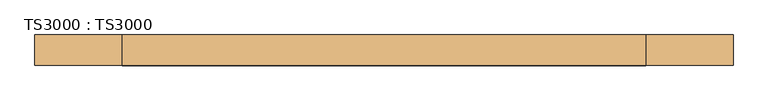
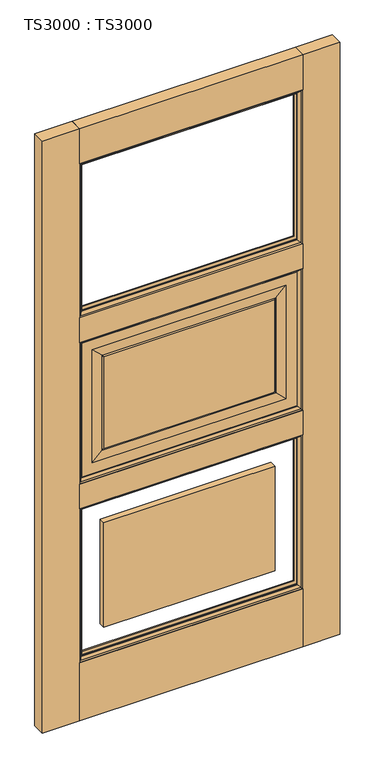
"""IFC4 building model written with IfcOpenShell, lengths in millimetres: door geometry, TS3000 : TS3000."""

from ifc_helpers import new_model, si_unit, frame, origin, origin_with_axes, place, context, project, spatial, polyline, ellipse_curve, outline, extrude, source, transform, mapped, element, save
from ifc_brep_helpers import plane_surface, revolved_surface, advanced_brep


def ts3000_ts3000_38d59591(model_context):
    return source(origin(), model_context, "Body", "SolidModel", [
        advanced_brep(
        [(889.0, -12.7, 1363.1333333), (889.0, -31.75, 1363.1333333), (889.0, -31.75, 853.0166667), (889.0, -12.7, 853.0166667), (127.0, -31.75, 1363.1333333), (127.0, -31.75, 853.0166667), (838.2, -31.75, 903.8166667), (177.8, -31.75, 903.8166667), (177.8, -31.75, 1312.3333333), (838.2, -31.75, 1312.3333333), (127.0, -12.7, 853.0166667), (127.0, -12.7, 1363.1333333), (838.2, -12.7, 1312.3333333), (177.8, -12.7, 1312.3333333), (177.8, -12.7, 903.8166667), (838.2, -12.7, 903.8166667), (800.1, -33.3375, 1274.2333333), (800.1, -11.1125, 1274.2333333), (800.1, -11.1125, 941.9166667), (800.1, -33.3375, 941.9166667), (804.8625, -13.49375, 1278.9958333), (804.8625, -13.49375, 937.1541667), (215.9, -11.1125, 941.9166667), (215.9, -33.3375, 941.9166667), (804.8625, -30.95625, 1278.9958333), (804.8625, -30.95625, 937.1541667), (211.1375, -13.49375, 937.1541667), (215.9, -11.1125, 1274.2333333), (215.9, -33.3375, 1274.2333333), (211.1375, -30.95625, 937.1541667), (211.1375, -13.49375, 1278.9958333), (211.1375, -30.95625, 1278.9958333)],
        [
            (0, 1),
            (1, 2),
            (2, 3),
            (3, 0),
            (1, 4),
            (4, 5),
            (5, 2),
            (6, 7),
            (7, 8),
            (8, 9),
            (9, 6),
            (5, 10),
            (10, 3),
            (10, 11),
            (11, 0),
            (12, 13),
            (13, 14),
            (14, 15),
            (15, 12),
            (16, 17),
            (17, 18),
            (18, 19),
            (19, 16),
            (17, 20, ellipse_curve(frame((805.3585938, -6.5484375, 1279.4919271), z_axis=(-0.7071067811865475, 0.0, 0.7071067811865475), x_axis=(-0.7071067811865474, 0.0, -0.7071067811865476)), 9.8471798, 6.9630076)),
            (20, 21),
            (21, 18, ellipse_curve(frame((805.3585938, -6.5484375, 936.6580729), z_axis=(-0.7071067811865475, 0.0, -0.7071067811865475), x_axis=(0.7071067811865474, 0.0, -0.7071067811865476)), 9.8471798, 6.9630076)),
            (18, 22),
            (22, 23),
            (23, 19),
            (24, 16, ellipse_curve(frame((805.3585938, -37.9015625, 1279.4919271), z_axis=(-0.7071067811865475, 0.0, 0.7071067811865475), x_axis=(-0.7071067811865474, 0.0, -0.7071067811865476)), 9.8471798, 6.9630076)),
            (19, 25, ellipse_curve(frame((805.3585938, -37.9015625, 936.6580729), z_axis=(-0.7071067811865475, 0.0, -0.7071067811865475), x_axis=(0.7071067811865474, 0.0, -0.7071067811865476)), 9.8471798, 6.9630076)),
            (25, 24),
            (4, 11),
            (21, 26),
            (26, 22, ellipse_curve(frame((210.6414063, -6.5484375, 936.6580729), z_axis=(-0.7071067811865475, 0.0, 0.7071067811865475), x_axis=(-0.7071067811865476, 0.0, -0.7071067811865474)), 9.8471798, 6.9630076)),
            (22, 27),
            (27, 28),
            (28, 23),
            (23, 29, ellipse_curve(frame((210.6414063, -37.9015625, 936.6580729), z_axis=(-0.7071067811865475, 0.0, 0.7071067811865475), x_axis=(-0.7071067811865476, 0.0, -0.7071067811865474)), 9.8471798, 6.9630076)),
            (29, 25),
            (26, 30),
            (30, 27, ellipse_curve(frame((210.6414063, -6.5484375, 1279.4919271), z_axis=(0.7071067811865475, 0.0, 0.7071067811865475), x_axis=(-0.7071067811865474, 0.0, 0.7071067811865476)), 9.8471798, 6.9630076)),
            (28, 31, ellipse_curve(frame((210.6414063, -37.9015625, 1279.4919271), z_axis=(0.7071067811865475, 0.0, 0.7071067811865475), x_axis=(-0.7071067811865474, 0.0, 0.7071067811865476)), 9.8471798, 6.9630076)),
            (31, 29),
            (6, 25),
            (29, 7),
            (31, 8),
            (9, 24),
            (26, 14),
            (13, 30),
            (21, 15),
            (20, 12),
            (27, 17),
            (16, 28),
            (31, 24),
            (20, 30),
        ],
        [
            plane_surface(frame((889.0, -31.75, 1363.1333333), z_axis=(1.0, 0.0, 0.0), x_axis=(0.0, 0.0, -1.0))),
            plane_surface(frame((177.8, -31.75, 1312.3333333), z_axis=(0.0, -1.0, 0.0), x_axis=(1.0, 0.0, 0.0))),
            plane_surface(frame((889.0, -31.75, 853.0166667), z_axis=(0.0, 0.0, -1.0), x_axis=(-1.0, 0.0, 0.0))),
            plane_surface(frame((127.0, -12.7, 1363.1333333), z_axis=(0.0, 1.0, 0.0), x_axis=(1.0, 0.0, 0.0))),
            plane_surface(frame((800.1, -11.1125, 1274.2333333), z_axis=(-1.0, 0.0, 0.0), x_axis=(0.0, 0.0, -1.0))),
            revolved_surface(polyline([(798.3955862, -6.5484375, 929.6950652878568), (798.3955862, -6.5484375, 1286.4549347121433)]), (805.3585938, -6.5484375, 1274.2333333), (0.0, 0.0, -1.0)),
            plane_surface(frame((800.1, -11.1125, 941.9166667), z_axis=(0.0, 0.0, 1.0), x_axis=(-1.0, 0.0, 0.0))),
            revolved_surface(polyline([(798.3955862, -37.9015625, 929.6950652878568), (798.3955862, -37.9015625, 1286.4549347121433)]), (805.3585938, -37.9015625, 1274.2333333), (0.0, 0.0, -1.0)),
            plane_surface(frame((127.0, -31.75, 853.0166667), z_axis=(-1.0, 0.0, 0.0), x_axis=(0.0, 0.0, 1.0))),
            revolved_surface(polyline([(203.67839868785677, -6.5484375, 943.6210805), (812.3216014121432, -6.5484375, 943.6210805)]), (800.1, -6.5484375, 936.6580729), (-1.0, 0.0, 0.0)),
            plane_surface(frame((215.9, -11.1125, 941.9166667), z_axis=(1.0, 0.0, 0.0), x_axis=(0.0, 0.0, 1.0))),
            revolved_surface(polyline([(203.67839868785677, -37.9015625, 943.6210805), (812.3216014121432, -37.9015625, 943.6210805)]), (800.1, -37.9015625, 936.6580729), (-1.0, 0.0, 0.0)),
            revolved_surface(polyline([(217.6044139, -6.5484375, 1286.4549347121433), (217.6044139, -6.5484375, 929.6950652878568)]), (210.6414063, -6.5484375, 941.9166667), (0.0, 0.0, 1.0)),
            revolved_surface(polyline([(217.6044139, -37.9015625, 1286.4549347121433), (217.6044139, -37.9015625, 929.6950652878568)]), (210.6414063, -37.9015625, 941.9166667), (0.0, 0.0, 1.0)),
            plane_surface(frame((804.8625, -30.95625, 937.1541667), z_axis=(0.0, -0.9997166737441345, 0.023802777946362628), x_axis=(-1.0, 0.0, 0.0))),
            plane_surface(frame((211.1375, -30.95625, 937.1541667), z_axis=(0.02380277794635939, -0.9997166737441346, 0.0), x_axis=(0.0, 0.0, 1.0))),
            plane_surface(frame((804.8625, -30.95625, 1278.9958333), z_axis=(-0.023802777946365865, -0.9997166737441344, 0.0), x_axis=(0.0, 0.0, -1.0))),
            plane_surface(frame((177.8, -12.7, 903.8166667), z_axis=(0.0238027779463033, 0.9997166737441359, 0.0), x_axis=(0.0, 0.0, 1.0))),
            plane_surface(frame((838.2, -12.7, 903.8166667), z_axis=(0.0, 0.999716673744136, 0.023802777946300063), x_axis=(-1.0, 0.0, 0.0))),
            plane_surface(frame((838.2, -12.7, 1312.3333333), z_axis=(-0.023802777946296826, 0.9997166737441361, 0.0), x_axis=(0.0, 0.0, -1.0))),
            plane_surface(frame((127.0, -31.75, 1363.1333333), z_axis=(0.0, 0.0, 1.0), x_axis=(1.0, 0.0, 0.0))),
            plane_surface(frame((215.9, -11.1125, 1274.2333333), z_axis=(0.0, 0.0, -1.0), x_axis=(1.0, 0.0, 0.0))),
            plane_surface(frame((211.1375, -30.95625, 1278.9958333), z_axis=(0.0, -0.9997166737441345, -0.023802777946362628), x_axis=(1.0, 0.0, 0.0))),
            plane_surface(frame((177.8, -12.7, 1312.3333333), z_axis=(0.0, 0.999716673744136, -0.023802777946300063), x_axis=(1.0, 0.0, 0.0))),
            revolved_surface(polyline([(812.3216014121432, -6.5484375, 1272.5289195), (203.6783986878568, -6.5484375, 1272.5289195)]), (215.9, -6.5484375, 1279.4919271), (1.0, 0.0, 0.0)),
            revolved_surface(polyline([(812.3216014121432, -37.9015625, 1272.5289195), (203.6783986878568, -37.9015625, 1272.5289195)]), (215.9, -37.9015625, 1279.4919271), (1.0, 0.0, 0.0)),
        ],
        [
            (0, [[1, 2, 3, 4]]),
            (1, [[5, 6, 7, -2], [8, 9, 10, 11]]),
            (2, [[-3, -7, 12, 13]]),
            (3, [[-13, 14, 15, -4], [16, 17, 18, 19]]),
            (4, [[20, 21, 22, 23]]),
            (5, [[24, 25, 26, -21]]),
            (6, [[-22, 27, 28, 29]]),
            (7, [[30, -23, 31, 32]]),
            (8, [[-12, -6, 33, -14]]),
            (9, [[-26, 34, 35, -27]]),
            (10, [[-28, 36, 37, 38]]),
            (11, [[-31, -29, 39, 40]]),
            (12, [[-35, 41, 42, -36]]),
            (13, [[-39, -38, 43, 44]]),
            (14, [[45, -40, 46, -8]]),
            (15, [[-46, -44, 47, -9]]),
            (16, [[48, -32, -45, -11]]),
            (17, [[49, -17, 50, -41]]),
            (18, [[51, -18, -49, -34]]),
            (19, [[52, -19, -51, -25]]),
            (20, [[-33, -5, -1, -15]]),
            (21, [[-37, 53, -20, 54]]),
            (22, [[-47, 55, -48, -10]]),
            (23, [[-50, -16, -52, 56]]),
            (24, [[-42, -56, -24, -53]]),
            (25, [[-43, -54, -30, -55]]),
        ],
    ),
        extrude(outline(polyline([(889.0, -44.45), (127.0, -44.45), (127.0, 0.0), (889.0, 0.0), (889.0, -44.45)])), origin_with_axes(), (0.0, 0.0, 1.0), 209.55),
        extrude(outline(polyline([(889.0, -44.45), (127.0, -44.45), (127.0, 0.0), (889.0, 0.0), (889.0, -44.45)])), frame((0.0, 0.0, 764.1166667), z_axis=(0.0, 0.0, 1.0), x_axis=(1.0, 0.0, 0.0)), (0.0, 0.0, 1.0), 88.9),
        extrude(outline(polyline([(889.0, -44.45), (127.0, -44.45), (127.0, 0.0), (889.0, 0.0), (889.0, -44.45)])), frame((0.0, 0.0, 2006.6), z_axis=(0.0, 0.0, 1.0), x_axis=(1.0, 0.0, 0.0)), (0.0, 0.0, 1.0), 127.0),
        extrude(outline(polyline([(889.0, -44.45), (127.0, -44.45), (127.0, 0.0), (889.0, 0.0), (889.0, -44.45)])), frame((0.0, 0.0, 1363.1333333), z_axis=(0.0, 0.0, 1.0), x_axis=(1.0, 0.0, 0.0)), (0.0, 0.0, 1.0), 88.9),
        extrude(outline(polyline([(215.9, -11.1125), (800.1, -11.1125), (800.1, -33.3375), (215.9, -33.3375), (215.9, -11.1125)])), frame((0.0, 0.0, 298.45), z_axis=(0.0, 0.0, 1.0), x_axis=(1.0, 0.0, 0.0)), (0.0, 0.0, 1.0), 376.7666667),
        extrude(outline(polyline([(215.9, -11.1125), (800.1, -11.1125), (800.1, -33.3375), (215.9, -33.3375), (215.9, -11.1125)])), frame((0.0, 0.0, 941.9166667), z_axis=(0.0, 0.0, 1.0), x_axis=(1.0, 0.0, 0.0)), (0.0, 0.0, 1.0), 332.3166667),
        extrude(outline(polyline([(1016.0, -44.45), (889.0, -44.45), (889.0, 0.0), (1016.0, 0.0), (1016.0, -44.45)])), origin_with_axes(), (0.0, 0.0, 1.0), 2133.6),
        extrude(outline(polyline([(127.0, -44.45), (0.0, -44.45), (0.0, 0.0), (127.0, 0.0), (127.0, -44.45)])), origin_with_axes(), (0.0, 0.0, 1.0), 2133.6),
        advanced_brep(
        [(889.0, -31.75, 764.1166667), (889.0, -44.4610047, 764.1166667), (889.0, -44.4610047, 209.55), (889.0, -31.75, 209.55), (876.2912454, -34.925, 751.407912), (876.2912454, -31.75, 751.407912), (876.2912454, -31.75, 222.2587546), (876.2912454, -34.925, 222.2587546), (884.1328423, -41.275, 759.249509), (884.1328423, -41.275, 214.4171577), (127.0, -44.4610047, 209.55), (127.0, -31.75, 209.55), (139.7087546, -31.75, 222.2587546), (139.7087546, -34.925, 222.2587546), (131.8671577, -41.275, 214.4171577), (127.0, -44.4610047, 764.1166667), (127.0, -31.75, 764.1166667), (139.7087546, -31.75, 751.407912), (139.7087546, -34.925, 751.407912), (131.8671577, -41.275, 759.249509)],
        [
            (0, 1),
            (1, 2),
            (2, 3),
            (3, 0),
            (4, 5),
            (5, 6),
            (6, 7),
            (7, 4),
            (8, 4, ellipse_curve(frame((872.149739, -48.0561173, 747.2664057), z_axis=(-0.7071067811865475, 0.0, 0.7071067811865475), x_axis=(-0.7071067811865474, 0.0, -0.7071067811865476)), 19.4719447, 13.7687442)),
            (7, 9, ellipse_curve(frame((872.149739, -48.0561173, 226.400261), z_axis=(-0.7071067811865475, 0.0, -0.7071067811865475), x_axis=(0.7071067811865474, 0.0, -0.7071067811865476)), 19.4719447, 13.7687442)),
            (9, 8),
            (1, 8, ellipse_curve(frame((881.0613821, -51.2778746, 756.1780488), z_axis=(-0.7071067811865475, 0.0, 0.7071067811865475), x_axis=(-0.7071067811865474, 0.0, -0.7071067811865476)), 14.7980653, 10.4638123)),
            (9, 2, ellipse_curve(frame((881.0613821, -51.2778746, 217.4886179), z_axis=(-0.7071067811865475, 0.0, -0.7071067811865475), x_axis=(0.7071067811865474, 0.0, -0.7071067811865476)), 14.7980653, 10.4638123)),
            (2, 10),
            (10, 11),
            (11, 3),
            (6, 12),
            (12, 13),
            (13, 7),
            (13, 14, ellipse_curve(frame((143.850261, -48.0561173, 226.400261), z_axis=(-0.7071067811865475, 0.0, 0.7071067811865475), x_axis=(-0.7071067811865476, 0.0, -0.7071067811865474)), 19.4719447, 13.7687442)),
            (14, 9),
            (14, 10, ellipse_curve(frame((134.9386179, -51.2778746, 217.4886179), z_axis=(-0.7071067811865475, 0.0, 0.7071067811865475), x_axis=(-0.7071067811865476, 0.0, -0.7071067811865474)), 14.7980653, 10.4638123)),
            (10, 15),
            (15, 16),
            (16, 11),
            (12, 17),
            (17, 18),
            (18, 13),
            (18, 19, ellipse_curve(frame((143.850261, -48.0561173, 747.2664057), z_axis=(0.7071067811865475, 0.0, 0.7071067811865475), x_axis=(-0.7071067811865474, 0.0, 0.7071067811865476)), 19.4719447, 13.7687442)),
            (19, 14),
            (19, 15, ellipse_curve(frame((134.9386179, -51.2778746, 756.1780488), z_axis=(0.7071067811865475, 0.0, 0.7071067811865475), x_axis=(-0.7071067811865474, 0.0, 0.7071067811865476)), 14.7980653, 10.4638123)),
            (15, 1),
            (0, 16),
            (5, 17),
            (4, 18),
            (8, 19),
        ],
        [
            plane_surface(frame((889.0, -44.4610047, 764.1166667), z_axis=(1.0, 0.0, 0.0), x_axis=(0.0, 0.0, -1.0))),
            plane_surface(frame((876.2912454, -31.75, 751.407912), z_axis=(-1.0, 0.0, 0.0), x_axis=(0.0, 0.0, -1.0))),
            revolved_surface(polyline([(858.3809947999999, -48.0561173, 212.6315168597406), (858.3809947999999, -48.0561173, 761.0351498402594)]), (872.149739, -48.0561173, 764.1166667), (0.0, 0.0, -1.0)),
            revolved_surface(polyline([(870.5975698, -51.2778746, 207.02480557792865), (870.5975698, -51.2778746, 766.6418611220714)]), (881.0613821, -51.2778746, 764.1166667), (0.0, 0.0, -1.0)),
            plane_surface(frame((889.0, -44.4610047, 209.55), z_axis=(0.0, 0.0, -1.0), x_axis=(-1.0, 0.0, 0.0))),
            plane_surface(frame((876.2912454, -31.75, 222.2587546), z_axis=(0.0, 0.0, 1.0), x_axis=(-1.0, 0.0, 0.0))),
            revolved_surface(polyline([(130.08151685974065, -48.0561173, 240.16900520000002), (885.9184831402594, -48.0561173, 240.16900520000002)]), (889.0, -48.0561173, 226.400261), (-1.0, 0.0, 0.0)),
            revolved_surface(polyline([(124.47480557792869, -51.2778746, 227.9524302), (891.5251944220713, -51.2778746, 227.9524302)]), (889.0, -51.2778746, 217.4886179), (-1.0, 0.0, 0.0)),
            plane_surface(frame((127.0, -44.4610047, 209.55), z_axis=(-1.0, 0.0, 0.0), x_axis=(0.0, 0.0, 1.0))),
            plane_surface(frame((139.7087546, -31.75, 222.2587546), z_axis=(1.0, 0.0, 0.0), x_axis=(0.0, 0.0, 1.0))),
            revolved_surface(polyline([(157.6190052, -48.0561173, 761.0351498402595), (157.6190052, -48.0561173, 212.63151685974054)]), (143.850261, -48.0561173, 209.55), (0.0, 0.0, 1.0)),
            revolved_surface(polyline([(145.4024302, -51.2778746, 766.6418611220713), (145.4024302, -51.2778746, 207.02480557792867)]), (134.9386179, -51.2778746, 209.55), (0.0, 0.0, 1.0)),
            plane_surface(frame((127.0, -44.4610047, 764.1166667), z_axis=(0.0, 0.0, 1.0), x_axis=(1.0, 0.0, 0.0))),
            plane_surface(frame((127.0, -31.75, 764.1166667), z_axis=(0.0, 1.0, 0.0), x_axis=(1.0, 0.0, 0.0))),
            plane_surface(frame((139.7087546, -31.75, 751.407912), z_axis=(0.0, 0.0, -1.0), x_axis=(1.0, 0.0, 0.0))),
            revolved_surface(polyline([(885.9184831402594, -48.0561173, 733.4976614999999), (130.08151685974053, -48.0561173, 733.4976614999999)]), (127.0, -48.0561173, 747.2664057), (1.0, 0.0, 0.0)),
            revolved_surface(polyline([(891.5251944220713, -51.2778746, 745.7142365000001), (124.47480557792866, -51.2778746, 745.7142365000001)]), (127.0, -51.2778746, 756.1780488), (1.0, 0.0, 0.0)),
        ],
        [
            (0, [[1, 2, 3, 4]]),
            (1, [[5, 6, 7, 8]]),
            (2, [[9, -8, 10, 11]]),
            (3, [[12, -11, 13, -2]]),
            (4, [[-3, 14, 15, 16]]),
            (5, [[-7, 17, 18, 19]]),
            (6, [[-10, -19, 20, 21]]),
            (7, [[-13, -21, 22, -14]]),
            (8, [[-15, 23, 24, 25]]),
            (9, [[-18, 26, 27, 28]]),
            (10, [[-20, -28, 29, 30]]),
            (11, [[-22, -30, 31, -23]]),
            (12, [[-24, 32, -1, 33]]),
            (13, [[-16, -25, -33, -4], [34, -26, -17, -6]]),
            (14, [[-27, -34, -5, 35]]),
            (15, [[-29, -35, -9, 36]]),
            (16, [[-31, -36, -12, -32]]),
        ],
    ),
        advanced_brep(
        [(884.1328423, -3.175, 759.249509), (889.0, 0.0110047, 764.1166667), (889.0, 0.0110047, 209.55), (884.1328423, -3.175, 214.4171577), (876.2912454, -9.525, 751.407912), (876.2912454, -9.525, 222.2587546), (876.2912454, -12.7, 751.407912), (876.2912454, -12.7, 222.2587546), (889.0, -12.7, 764.1166667), (889.0, -12.7, 209.55), (127.0, 0.0110047, 209.55), (131.8671577, -3.175, 214.4171577), (139.7087546, -9.525, 222.2587546), (139.7087546, -12.7, 222.2587546), (127.0, -12.7, 209.55), (127.0, 0.0110047, 764.1166667), (131.8671577, -3.175, 759.249509), (139.7087546, -9.525, 751.407912), (139.7087546, -12.7, 751.407912), (127.0, -12.7, 764.1166667)],
        [
            (0, 1, ellipse_curve(frame((881.0613821, 6.8278746, 756.1780488), z_axis=(-0.7071067811865475, 0.0, 0.7071067811865475), x_axis=(-0.7071067811865474, 0.0, -0.7071067811865476)), 14.7980653, 10.4638123)),
            (1, 2),
            (2, 3, ellipse_curve(frame((881.0613821, 6.8278746, 217.4886179), z_axis=(-0.7071067811865475, 0.0, -0.7071067811865475), x_axis=(0.7071067811865474, 0.0, -0.7071067811865476)), 14.7980653, 10.4638123)),
            (3, 0),
            (4, 0, ellipse_curve(frame((872.149739, 3.6061173, 747.2664057), z_axis=(-0.7071067811865475, 0.0, 0.7071067811865475), x_axis=(-0.7071067811865474, 0.0, -0.7071067811865476)), 19.4719447, 13.7687442)),
            (3, 5, ellipse_curve(frame((872.149739, 3.6061173, 226.400261), z_axis=(-0.7071067811865475, 0.0, -0.7071067811865475), x_axis=(0.7071067811865474, 0.0, -0.7071067811865476)), 19.4719447, 13.7687442)),
            (5, 4),
            (6, 4),
            (5, 7),
            (7, 6),
            (1, 8),
            (8, 9),
            (9, 2),
            (2, 10),
            (10, 11, ellipse_curve(frame((134.9386179, 6.8278746, 217.4886179), z_axis=(-0.7071067811865475, 0.0, 0.7071067811865475), x_axis=(-0.7071067811865476, 0.0, -0.7071067811865474)), 14.7980653, 10.4638123)),
            (11, 3),
            (11, 12, ellipse_curve(frame((143.850261, 3.6061173, 226.400261), z_axis=(-0.7071067811865475, 0.0, 0.7071067811865475), x_axis=(-0.7071067811865476, 0.0, -0.7071067811865474)), 19.4719447, 13.7687442)),
            (12, 5),
            (12, 13),
            (13, 7),
            (9, 14),
            (14, 10),
            (10, 15),
            (15, 16, ellipse_curve(frame((134.9386179, 6.8278746, 756.1780488), z_axis=(0.7071067811865475, 0.0, 0.7071067811865475), x_axis=(-0.7071067811865474, 0.0, 0.7071067811865476)), 14.7980653, 10.4638123)),
            (16, 11),
            (16, 17, ellipse_curve(frame((143.850261, 3.6061173, 747.2664057), z_axis=(0.7071067811865475, 0.0, 0.7071067811865475), x_axis=(-0.7071067811865474, 0.0, 0.7071067811865476)), 19.4719447, 13.7687442)),
            (17, 12),
            (17, 18),
            (18, 13),
            (14, 19),
            (19, 15),
            (15, 1),
            (0, 16),
            (4, 17),
            (6, 18),
            (8, 19),
        ],
        [
            revolved_surface(polyline([(870.5975698, 6.8278746, 207.02480557792865), (870.5975698, 6.8278746, 766.6418611220714)]), (881.0613821, 6.8278746, 764.1166667), (0.0, 0.0, -1.0)),
            revolved_surface(polyline([(858.3809947999999, 3.6061173, 212.6315168597406), (858.3809947999999, 3.6061173, 761.0351498402594)]), (872.149739, 3.6061173, 764.1166667), (0.0, 0.0, -1.0)),
            plane_surface(frame((876.2912454, -9.525, 751.407912), z_axis=(-1.0, 0.0, 0.0), x_axis=(0.0, 0.0, -1.0))),
            plane_surface(frame((889.0, -12.7, 764.1166667), z_axis=(1.0, 0.0, 0.0), x_axis=(0.0, 0.0, -1.0))),
            revolved_surface(polyline([(124.47480557792869, 6.8278746, 227.9524302), (891.5251944220713, 6.8278746, 227.9524302)]), (889.0, 6.8278746, 217.4886179), (-1.0, 0.0, 0.0)),
            revolved_surface(polyline([(130.08151685974065, 3.6061173, 240.16900520000002), (885.9184831402594, 3.6061173, 240.16900520000002)]), (889.0, 3.6061173, 226.400261), (-1.0, 0.0, 0.0)),
            plane_surface(frame((876.2912454, -9.525, 222.2587546), z_axis=(0.0, 0.0, 1.0), x_axis=(-1.0, 0.0, 0.0))),
            plane_surface(frame((889.0, -12.7, 209.55), z_axis=(0.0, 0.0, -1.0), x_axis=(-1.0, 0.0, 0.0))),
            revolved_surface(polyline([(145.4024302, 6.8278746, 766.6418611220713), (145.4024302, 6.8278746, 207.02480557792867)]), (134.9386179, 6.8278746, 209.55), (0.0, 0.0, 1.0)),
            revolved_surface(polyline([(157.6190052, 3.6061173, 761.0351498402595), (157.6190052, 3.6061173, 212.63151685974054)]), (143.850261, 3.6061173, 209.55), (0.0, 0.0, 1.0)),
            plane_surface(frame((139.7087546, -9.525, 222.2587546), z_axis=(1.0, 0.0, 0.0), x_axis=(0.0, 0.0, 1.0))),
            plane_surface(frame((127.0, -12.7, 209.55), z_axis=(-1.0, 0.0, 0.0), x_axis=(0.0, 0.0, 1.0))),
            revolved_surface(polyline([(891.5251944220713, 6.8278746, 745.7142365000001), (124.47480557792866, 6.8278746, 745.7142365000001)]), (127.0, 6.8278746, 756.1780488), (1.0, 0.0, 0.0)),
            revolved_surface(polyline([(885.9184831402594, 3.6061173, 733.4976614999999), (130.08151685974053, 3.6061173, 733.4976614999999)]), (127.0, 3.6061173, 747.2664057), (1.0, 0.0, 0.0)),
            plane_surface(frame((139.7087546, -9.525, 751.407912), z_axis=(0.0, 0.0, -1.0), x_axis=(1.0, 0.0, 0.0))),
            plane_surface(frame((139.7087546, -12.7, 751.407912), z_axis=(0.0, -1.0, 0.0), x_axis=(1.0, 0.0, 0.0))),
            plane_surface(frame((127.0, -12.7, 764.1166667), z_axis=(0.0, 0.0, 1.0), x_axis=(1.0, 0.0, 0.0))),
        ],
        [
            (0, [[1, 2, 3, 4]]),
            (1, [[5, -4, 6, 7]]),
            (2, [[8, -7, 9, 10]]),
            (3, [[11, 12, 13, -2]]),
            (4, [[-3, 14, 15, 16]]),
            (5, [[-6, -16, 17, 18]]),
            (6, [[-9, -18, 19, 20]]),
            (7, [[-13, 21, 22, -14]]),
            (8, [[-15, 23, 24, 25]]),
            (9, [[-17, -25, 26, 27]]),
            (10, [[-19, -27, 28, 29]]),
            (11, [[-22, 30, 31, -23]]),
            (12, [[-24, 32, -1, 33]]),
            (13, [[-26, -33, -5, 34]]),
            (14, [[-28, -34, -8, 35]]),
            (15, [[36, -30, -21, -12], [-20, -29, -35, -10]]),
            (16, [[-31, -36, -11, -32]]),
        ],
    ),
        advanced_brep(
        [(889.0, -31.75, 1363.1333333), (889.0, -44.4610047, 1363.1333333), (889.0, -44.4610047, 853.0166667), (889.0, -31.75, 853.0166667), (876.2912454, -34.925, 1350.4245787), (876.2912454, -31.75, 1350.4245787), (876.2912454, -31.75, 865.7254213), (876.2912454, -34.925, 865.7254213), (884.1328423, -41.275, 1358.2661757), (884.1328423, -41.275, 857.8838243), (127.0, -44.4610047, 853.0166667), (127.0, -31.75, 853.0166667), (139.7087546, -31.75, 865.7254213), (139.7087546, -34.925, 865.7254213), (131.8671577, -41.275, 857.8838243), (127.0, -44.4610047, 1363.1333333), (127.0, -31.75, 1363.1333333), (139.7087546, -31.75, 1350.4245787), (139.7087546, -34.925, 1350.4245787), (131.8671577, -41.275, 1358.2661757)],
        [
            (0, 1),
            (1, 2),
            (2, 3),
            (3, 0),
            (4, 5),
            (5, 6),
            (6, 7),
            (7, 4),
            (8, 4, ellipse_curve(frame((872.149739, -48.0561173, 1346.2830724), z_axis=(-0.7071067811865475, 0.0, 0.7071067811865475), x_axis=(-0.7071067811865474, 0.0, -0.7071067811865476)), 19.4719447, 13.7687442)),
            (7, 9, ellipse_curve(frame((872.149739, -48.0561173, 869.8669276), z_axis=(-0.7071067811865475, 0.0, -0.7071067811865475), x_axis=(0.7071067811865474, 0.0, -0.7071067811865476)), 19.4719447, 13.7687442)),
            (9, 8),
            (1, 8, ellipse_curve(frame((881.0613821, -51.2778746, 1355.1947155), z_axis=(-0.7071067811865475, 0.0, 0.7071067811865475), x_axis=(-0.7071067811865474, 0.0, -0.7071067811865476)), 14.7980653, 10.4638123)),
            (9, 2, ellipse_curve(frame((881.0613821, -51.2778746, 860.9552845), z_axis=(-0.7071067811865475, 0.0, -0.7071067811865475), x_axis=(0.7071067811865474, 0.0, -0.7071067811865476)), 14.7980653, 10.4638123)),
            (2, 10),
            (10, 11),
            (11, 3),
            (6, 12),
            (12, 13),
            (13, 7),
            (13, 14, ellipse_curve(frame((143.850261, -48.0561173, 869.8669276), z_axis=(-0.7071067811865475, 0.0, 0.7071067811865475), x_axis=(-0.7071067811865476, 0.0, -0.7071067811865474)), 19.4719447, 13.7687442)),
            (14, 9),
            (14, 10, ellipse_curve(frame((134.9386179, -51.2778746, 860.9552845), z_axis=(-0.7071067811865475, 0.0, 0.7071067811865475), x_axis=(-0.7071067811865476, 0.0, -0.7071067811865474)), 14.7980653, 10.4638123)),
            (10, 15),
            (15, 16),
            (16, 11),
            (12, 17),
            (17, 18),
            (18, 13),
            (18, 19, ellipse_curve(frame((143.850261, -48.0561173, 1346.2830724), z_axis=(0.7071067811865475, 0.0, 0.7071067811865475), x_axis=(-0.7071067811865474, 0.0, 0.7071067811865476)), 19.4719447, 13.7687442)),
            (19, 14),
            (19, 15, ellipse_curve(frame((134.9386179, -51.2778746, 1355.1947155), z_axis=(0.7071067811865475, 0.0, 0.7071067811865475), x_axis=(-0.7071067811865474, 0.0, 0.7071067811865476)), 14.7980653, 10.4638123)),
            (15, 1),
            (0, 16),
            (5, 17),
            (4, 18),
            (8, 19),
        ],
        [
            plane_surface(frame((889.0, -44.4610047, 1363.1333333), z_axis=(1.0, 0.0, 0.0), x_axis=(0.0, 0.0, -1.0))),
            plane_surface(frame((876.2912454, -31.75, 1350.4245787), z_axis=(-1.0, 0.0, 0.0), x_axis=(0.0, 0.0, -1.0))),
            revolved_surface(polyline([(858.3809947999999, -48.0561173, 856.0981834597405), (858.3809947999999, -48.0561173, 1360.0518165402596)]), (872.149739, -48.0561173, 1363.1333333), (0.0, 0.0, -1.0)),
            revolved_surface(polyline([(870.5975698, -51.2778746, 850.4914721779286), (870.5975698, -51.2778746, 1365.6585278220714)]), (881.0613821, -51.2778746, 1363.1333333), (0.0, 0.0, -1.0)),
            plane_surface(frame((889.0, -44.4610047, 853.0166667), z_axis=(0.0, 0.0, -1.0), x_axis=(-1.0, 0.0, 0.0))),
            plane_surface(frame((876.2912454, -31.75, 865.7254213), z_axis=(0.0, 0.0, 1.0), x_axis=(-1.0, 0.0, 0.0))),
            revolved_surface(polyline([(130.08151685974065, -48.0561173, 883.6356718000001), (885.9184831402594, -48.0561173, 883.6356718000001)]), (889.0, -48.0561173, 869.8669276), (-1.0, 0.0, 0.0)),
            revolved_surface(polyline([(124.47480557792869, -51.2778746, 871.4190967999999), (891.5251944220713, -51.2778746, 871.4190967999999)]), (889.0, -51.2778746, 860.9552845), (-1.0, 0.0, 0.0)),
            plane_surface(frame((127.0, -44.4610047, 853.0166667), z_axis=(-1.0, 0.0, 0.0), x_axis=(0.0, 0.0, 1.0))),
            plane_surface(frame((139.7087546, -31.75, 865.7254213), z_axis=(1.0, 0.0, 0.0), x_axis=(0.0, 0.0, 1.0))),
            revolved_surface(polyline([(157.6190052, -48.0561173, 1360.0518165402596), (157.6190052, -48.0561173, 856.0981834597407)]), (143.850261, -48.0561173, 853.0166667), (0.0, 0.0, 1.0)),
            revolved_surface(polyline([(145.4024302, -51.2778746, 1365.6585278220714), (145.4024302, -51.2778746, 850.4914721779286)]), (134.9386179, -51.2778746, 853.0166667), (0.0, 0.0, 1.0)),
            plane_surface(frame((127.0, -44.4610047, 1363.1333333), z_axis=(0.0, 0.0, 1.0), x_axis=(1.0, 0.0, 0.0))),
            plane_surface(frame((127.0, -31.75, 1363.1333333), z_axis=(0.0, 1.0, 0.0), x_axis=(1.0, 0.0, 0.0))),
            plane_surface(frame((139.7087546, -31.75, 1350.4245787), z_axis=(0.0, 0.0, -1.0), x_axis=(1.0, 0.0, 0.0))),
            revolved_surface(polyline([(885.9184831402594, -48.0561173, 1332.5143282000001), (130.08151685974053, -48.0561173, 1332.5143282000001)]), (127.0, -48.0561173, 1346.2830724), (1.0, 0.0, 0.0)),
            revolved_surface(polyline([(891.5251944220713, -51.2778746, 1344.7309032), (124.47480557792866, -51.2778746, 1344.7309032)]), (127.0, -51.2778746, 1355.1947155), (1.0, 0.0, 0.0)),
        ],
        [
            (0, [[1, 2, 3, 4]]),
            (1, [[5, 6, 7, 8]]),
            (2, [[9, -8, 10, 11]]),
            (3, [[12, -11, 13, -2]]),
            (4, [[-3, 14, 15, 16]]),
            (5, [[-7, 17, 18, 19]]),
            (6, [[-10, -19, 20, 21]]),
            (7, [[-13, -21, 22, -14]]),
            (8, [[-15, 23, 24, 25]]),
            (9, [[-18, 26, 27, 28]]),
            (10, [[-20, -28, 29, 30]]),
            (11, [[-22, -30, 31, -23]]),
            (12, [[-24, 32, -1, 33]]),
            (13, [[-16, -25, -33, -4], [34, -26, -17, -6]]),
            (14, [[-27, -34, -5, 35]]),
            (15, [[-29, -35, -9, 36]]),
            (16, [[-31, -36, -12, -32]]),
        ],
    ),
        advanced_brep(
        [(884.1328423, -3.175, 1358.2661757), (889.0, 0.0110047, 1363.1333333), (889.0, 0.0110047, 853.0166667), (884.1328423, -3.175, 857.8838243), (876.2912454, -9.525, 1350.4245787), (876.2912454, -9.525, 865.7254213), (876.2912454, -12.7, 1350.4245787), (876.2912454, -12.7, 865.7254213), (889.0, -12.7, 1363.1333333), (889.0, -12.7, 853.0166667), (127.0, 0.0110047, 853.0166667), (131.8671577, -3.175, 857.8838243), (139.7087546, -9.525, 865.7254213), (139.7087546, -12.7, 865.7254213), (127.0, -12.7, 853.0166667), (127.0, 0.0110047, 1363.1333333), (131.8671577, -3.175, 1358.2661757), (139.7087546, -9.525, 1350.4245787), (139.7087546, -12.7, 1350.4245787), (127.0, -12.7, 1363.1333333)],
        [
            (0, 1, ellipse_curve(frame((881.0613821, 6.8278746, 1355.1947155), z_axis=(-0.7071067811865475, 0.0, 0.7071067811865475), x_axis=(-0.7071067811865474, 0.0, -0.7071067811865476)), 14.7980653, 10.4638123)),
            (1, 2),
            (2, 3, ellipse_curve(frame((881.0613821, 6.8278746, 860.9552845), z_axis=(-0.7071067811865475, 0.0, -0.7071067811865475), x_axis=(0.7071067811865474, 0.0, -0.7071067811865476)), 14.7980653, 10.4638123)),
            (3, 0),
            (4, 0, ellipse_curve(frame((872.149739, 3.6061173, 1346.2830724), z_axis=(-0.7071067811865475, 0.0, 0.7071067811865475), x_axis=(-0.7071067811865474, 0.0, -0.7071067811865476)), 19.4719447, 13.7687442)),
            (3, 5, ellipse_curve(frame((872.149739, 3.6061173, 869.8669276), z_axis=(-0.7071067811865475, 0.0, -0.7071067811865475), x_axis=(0.7071067811865474, 0.0, -0.7071067811865476)), 19.4719447, 13.7687442)),
            (5, 4),
            (6, 4),
            (5, 7),
            (7, 6),
            (1, 8),
            (8, 9),
            (9, 2),
            (2, 10),
            (10, 11, ellipse_curve(frame((134.9386179, 6.8278746, 860.9552845), z_axis=(-0.7071067811865475, 0.0, 0.7071067811865475), x_axis=(-0.7071067811865476, 0.0, -0.7071067811865474)), 14.7980653, 10.4638123)),
            (11, 3),
            (11, 12, ellipse_curve(frame((143.850261, 3.6061173, 869.8669276), z_axis=(-0.7071067811865475, 0.0, 0.7071067811865475), x_axis=(-0.7071067811865476, 0.0, -0.7071067811865474)), 19.4719447, 13.7687442)),
            (12, 5),
            (12, 13),
            (13, 7),
            (9, 14),
            (14, 10),
            (10, 15),
            (15, 16, ellipse_curve(frame((134.9386179, 6.8278746, 1355.1947155), z_axis=(0.7071067811865475, 0.0, 0.7071067811865475), x_axis=(-0.7071067811865474, 0.0, 0.7071067811865476)), 14.7980653, 10.4638123)),
            (16, 11),
            (16, 17, ellipse_curve(frame((143.850261, 3.6061173, 1346.2830724), z_axis=(0.7071067811865475, 0.0, 0.7071067811865475), x_axis=(-0.7071067811865474, 0.0, 0.7071067811865476)), 19.4719447, 13.7687442)),
            (17, 12),
            (17, 18),
            (18, 13),
            (14, 19),
            (19, 15),
            (15, 1),
            (0, 16),
            (4, 17),
            (6, 18),
            (8, 19),
        ],
        [
            revolved_surface(polyline([(870.5975698, 6.8278746, 850.4914721779286), (870.5975698, 6.8278746, 1365.6585278220714)]), (881.0613821, 6.8278746, 1363.1333333), (0.0, 0.0, -1.0)),
            revolved_surface(polyline([(858.3809947999999, 3.6061173, 856.0981834597405), (858.3809947999999, 3.6061173, 1360.0518165402596)]), (872.149739, 3.6061173, 1363.1333333), (0.0, 0.0, -1.0)),
            plane_surface(frame((876.2912454, -9.525, 1350.4245787), z_axis=(-1.0, 0.0, 0.0), x_axis=(0.0, 0.0, -1.0))),
            plane_surface(frame((889.0, -12.7, 1363.1333333), z_axis=(1.0, 0.0, 0.0), x_axis=(0.0, 0.0, -1.0))),
            revolved_surface(polyline([(124.47480557792869, 6.8278746, 871.4190967999999), (891.5251944220713, 6.8278746, 871.4190967999999)]), (889.0, 6.8278746, 860.9552845), (-1.0, 0.0, 0.0)),
            revolved_surface(polyline([(130.08151685974065, 3.6061173, 883.6356718000001), (885.9184831402594, 3.6061173, 883.6356718000001)]), (889.0, 3.6061173, 869.8669276), (-1.0, 0.0, 0.0)),
            plane_surface(frame((876.2912454, -9.525, 865.7254213), z_axis=(0.0, 0.0, 1.0), x_axis=(-1.0, 0.0, 0.0))),
            plane_surface(frame((889.0, -12.7, 853.0166667), z_axis=(0.0, 0.0, -1.0), x_axis=(-1.0, 0.0, 0.0))),
            revolved_surface(polyline([(145.4024302, 6.8278746, 1365.6585278220714), (145.4024302, 6.8278746, 850.4914721779286)]), (134.9386179, 6.8278746, 853.0166667), (0.0, 0.0, 1.0)),
            revolved_surface(polyline([(157.6190052, 3.6061173, 1360.0518165402596), (157.6190052, 3.6061173, 856.0981834597407)]), (143.850261, 3.6061173, 853.0166667), (0.0, 0.0, 1.0)),
            plane_surface(frame((139.7087546, -9.525, 865.7254213), z_axis=(1.0, 0.0, 0.0), x_axis=(0.0, 0.0, 1.0))),
            plane_surface(frame((127.0, -12.7, 853.0166667), z_axis=(-1.0, 0.0, 0.0), x_axis=(0.0, 0.0, 1.0))),
            revolved_surface(polyline([(891.5251944220713, 6.8278746, 1344.7309032), (124.47480557792866, 6.8278746, 1344.7309032)]), (127.0, 6.8278746, 1355.1947155), (1.0, 0.0, 0.0)),
            revolved_surface(polyline([(885.9184831402594, 3.6061173, 1332.5143282000001), (130.08151685974053, 3.6061173, 1332.5143282000001)]), (127.0, 3.6061173, 1346.2830724), (1.0, 0.0, 0.0)),
            plane_surface(frame((139.7087546, -9.525, 1350.4245787), z_axis=(0.0, 0.0, -1.0), x_axis=(1.0, 0.0, 0.0))),
            plane_surface(frame((139.7087546, -12.7, 1350.4245787), z_axis=(0.0, -1.0, 0.0), x_axis=(1.0, 0.0, 0.0))),
            plane_surface(frame((127.0, -12.7, 1363.1333333), z_axis=(0.0, 0.0, 1.0), x_axis=(1.0, 0.0, 0.0))),
        ],
        [
            (0, [[1, 2, 3, 4]]),
            (1, [[5, -4, 6, 7]]),
            (2, [[8, -7, 9, 10]]),
            (3, [[11, 12, 13, -2]]),
            (4, [[-3, 14, 15, 16]]),
            (5, [[-6, -16, 17, 18]]),
            (6, [[-9, -18, 19, 20]]),
            (7, [[-13, 21, 22, -14]]),
            (8, [[-15, 23, 24, 25]]),
            (9, [[-17, -25, 26, 27]]),
            (10, [[-19, -27, 28, 29]]),
            (11, [[-22, 30, 31, -23]]),
            (12, [[-24, 32, -1, 33]]),
            (13, [[-26, -33, -5, 34]]),
            (14, [[-28, -34, -8, 35]]),
            (15, [[36, -30, -21, -12], [-20, -29, -35, -10]]),
            (16, [[-31, -36, -11, -32]]),
        ],
    ),
        advanced_brep(
        [(889.0, -31.75, 2006.6), (889.0, -44.4610047, 2006.6), (889.0, -44.4610047, 1452.0333333), (889.0, -31.75, 1452.0333333), (876.2912454, -34.925, 1993.8912454), (876.2912454, -31.75, 1993.8912454), (876.2912454, -31.75, 1464.742088), (876.2912454, -34.925, 1464.742088), (884.1328423, -41.275, 2001.7328423), (884.1328423, -41.275, 1456.900491), (127.0, -44.4610047, 1452.0333333), (127.0, -31.75, 1452.0333333), (139.7087546, -31.75, 1464.742088), (139.7087546, -34.925, 1464.742088), (131.8671577, -41.275, 1456.900491), (127.0, -44.4610047, 2006.6), (127.0, -31.75, 2006.6), (139.7087546, -31.75, 1993.8912454), (139.7087546, -34.925, 1993.8912454), (131.8671577, -41.275, 2001.7328423)],
        [
            (0, 1),
            (1, 2),
            (2, 3),
            (3, 0),
            (4, 5),
            (5, 6),
            (6, 7),
            (7, 4),
            (8, 4, ellipse_curve(frame((872.8743353, -47.1613154, 1990.4743353), z_axis=(-0.7071067811865475, 0.0, 0.7071067811865475), x_axis=(-0.7071067811865474, 0.0, -0.7071067811865476)), 17.9667854, 12.7044358)),
            (7, 9, ellipse_curve(frame((872.8743353, -47.1613154, 1468.158998), z_axis=(-0.7071067811865475, 0.0, -0.7071067811865475), x_axis=(0.7071067811865474, 0.0, -0.7071067811865476)), 17.9667854, 12.7044358)),
            (9, 8),
            (1, 8, ellipse_curve(frame((881.7585588, -50.2128202, 1999.3585588), z_axis=(-0.7071067811865475, 0.0, 0.7071067811865475), x_axis=(-0.7071067811865474, 0.0, -0.7071067811865476)), 13.0783678, 9.2478026)),
            (9, 2, ellipse_curve(frame((881.7585588, -50.2128202, 1459.2747746), z_axis=(-0.7071067811865475, 0.0, -0.7071067811865475), x_axis=(0.7071067811865474, 0.0, -0.7071067811865476)), 13.0783678, 9.2478026)),
            (2, 10),
            (10, 11),
            (11, 3),
            (6, 12),
            (12, 13),
            (13, 7),
            (13, 14, ellipse_curve(frame((143.1256647, -47.1613154, 1468.158998), z_axis=(-0.7071067811865475, 0.0, 0.7071067811865475), x_axis=(-0.7071067811865476, 0.0, -0.7071067811865474)), 17.9667854, 12.7044358)),
            (14, 9),
            (14, 10, ellipse_curve(frame((134.2414412, -50.2128202, 1459.2747746), z_axis=(-0.7071067811865475, 0.0, 0.7071067811865475), x_axis=(-0.7071067811865476, 0.0, -0.7071067811865474)), 13.0783678, 9.2478026)),
            (10, 15),
            (15, 16),
            (16, 11),
            (12, 17),
            (17, 18),
            (18, 13),
            (18, 19, ellipse_curve(frame((143.1256647, -47.1613154, 1990.4743353), z_axis=(0.7071067811865475, 0.0, 0.7071067811865475), x_axis=(-0.7071067811865474, 0.0, 0.7071067811865476)), 17.9667854, 12.7044358)),
            (19, 14),
            (19, 15, ellipse_curve(frame((134.2414412, -50.2128202, 1999.3585588), z_axis=(0.7071067811865475, 0.0, 0.7071067811865475), x_axis=(-0.7071067811865474, 0.0, 0.7071067811865476)), 13.0783678, 9.2478026)),
            (15, 1),
            (0, 16),
            (5, 17),
            (4, 18),
            (8, 19),
        ],
        [
            plane_surface(frame((889.0, -44.4610047, 2006.6), z_axis=(1.0, 0.0, 0.0), x_axis=(0.0, 0.0, -1.0))),
            plane_surface(frame((876.2912454, -31.75, 1993.8912454), z_axis=(-1.0, 0.0, 0.0), x_axis=(0.0, 0.0, -1.0))),
            revolved_surface(polyline([(860.1698994999999, -47.1613154, 1455.4545622075366), (860.1698994999999, -47.1613154, 2003.1787710924634)]), (872.8743353, -47.1613154, 2006.6), (0.0, 0.0, -1.0)),
            revolved_surface(polyline([(872.5107562, -50.2128202, 1450.0269720417682), (872.5107562, -50.2128202, 2008.6063613582319)]), (881.7585588, -50.2128202, 2006.6), (0.0, 0.0, -1.0)),
            plane_surface(frame((889.0, -44.4610047, 1452.0333333), z_axis=(0.0, 0.0, -1.0), x_axis=(-1.0, 0.0, 0.0))),
            plane_surface(frame((876.2912454, -31.75, 1464.742088), z_axis=(0.0, 0.0, 1.0), x_axis=(-1.0, 0.0, 0.0))),
            revolved_surface(polyline([(130.4212289075366, -47.1613154, 1480.8634338000002), (885.5787710924634, -47.1613154, 1480.8634338000002)]), (889.0, -47.1613154, 1468.158998), (-1.0, 0.0, 0.0)),
            revolved_surface(polyline([(124.99363864176826, -50.2128202, 1468.5225772), (891.0063613582317, -50.2128202, 1468.5225772)]), (889.0, -50.2128202, 1459.2747746), (-1.0, 0.0, 0.0)),
            plane_surface(frame((127.0, -44.4610047, 1452.0333333), z_axis=(-1.0, 0.0, 0.0), x_axis=(0.0, 0.0, 1.0))),
            plane_surface(frame((139.7087546, -31.75, 1464.742088), z_axis=(1.0, 0.0, 0.0), x_axis=(0.0, 0.0, 1.0))),
            revolved_surface(polyline([(155.8301005, -47.1613154, 2003.1787710924632), (155.8301005, -47.1613154, 1455.4545622075366)]), (143.1256647, -47.1613154, 1452.0333333), (0.0, 0.0, 1.0)),
            revolved_surface(polyline([(143.4892438, -50.2128202, 2008.6063613582319), (143.4892438, -50.2128202, 1450.0269720417682)]), (134.2414412, -50.2128202, 1452.0333333), (0.0, 0.0, 1.0)),
            plane_surface(frame((127.0, -44.4610047, 2006.6), z_axis=(0.0, 0.0, 1.0), x_axis=(1.0, 0.0, 0.0))),
            plane_surface(frame((127.0, -31.75, 2006.6), z_axis=(0.0, 1.0, 0.0), x_axis=(1.0, 0.0, 0.0))),
            plane_surface(frame((139.7087546, -31.75, 1993.8912454), z_axis=(0.0, 0.0, -1.0), x_axis=(1.0, 0.0, 0.0))),
            revolved_surface(polyline([(885.5787710924634, -47.1613154, 1977.7698994999998), (130.42122890753654, -47.1613154, 1977.7698994999998)]), (127.0, -47.1613154, 1990.4743353), (1.0, 0.0, 0.0)),
            revolved_surface(polyline([(891.0063613582317, -50.2128202, 1990.1107562000002), (124.99363864176821, -50.2128202, 1990.1107562000002)]), (127.0, -50.2128202, 1999.3585588), (1.0, 0.0, 0.0)),
        ],
        [
            (0, [[1, 2, 3, 4]]),
            (1, [[5, 6, 7, 8]]),
            (2, [[9, -8, 10, 11]]),
            (3, [[12, -11, 13, -2]]),
            (4, [[-3, 14, 15, 16]]),
            (5, [[-7, 17, 18, 19]]),
            (6, [[-10, -19, 20, 21]]),
            (7, [[-13, -21, 22, -14]]),
            (8, [[-15, 23, 24, 25]]),
            (9, [[-18, 26, 27, 28]]),
            (10, [[-20, -28, 29, 30]]),
            (11, [[-22, -30, 31, -23]]),
            (12, [[-24, 32, -1, 33]]),
            (13, [[-16, -25, -33, -4], [34, -26, -17, -6]]),
            (14, [[-27, -34, -5, 35]]),
            (15, [[-29, -35, -9, 36]]),
            (16, [[-31, -36, -12, -32]]),
        ],
    ),
        advanced_brep(
        [(884.1328423, -3.175, 2001.7328423), (889.0, 0.0110047, 2006.6), (889.0, 0.0110047, 1452.0333333), (884.1328423, -3.175, 1456.900491), (876.2912454, -9.525, 1993.8912454), (876.2912454, -9.525, 1464.742088), (876.2912454, -12.7, 1993.8912454), (876.2912454, -12.7, 1464.742088), (889.0, -12.7, 2006.6), (889.0, -12.7, 1452.0333333), (127.0, 0.0110047, 1452.0333333), (131.8671577, -3.175, 1456.900491), (139.7087546, -9.525, 1464.742088), (139.7087546, -12.7, 1464.742088), (127.0, -12.7, 1452.0333333), (127.0, 0.0110047, 2006.6), (131.8671577, -3.175, 2001.7328423), (139.7087546, -9.525, 1993.8912454), (139.7087546, -12.7, 1993.8912454), (127.0, -12.7, 2006.6)],
        [
            (0, 1, ellipse_curve(frame((881.7585588, 5.7628202, 1999.3585588), z_axis=(-0.7071067811865475, 0.0, 0.7071067811865475), x_axis=(-0.7071067811865474, 0.0, -0.7071067811865476)), 13.0783678, 9.2478026)),
            (1, 2),
            (2, 3, ellipse_curve(frame((881.7585588, 5.7628202, 1459.2747746), z_axis=(-0.7071067811865475, 0.0, -0.7071067811865475), x_axis=(0.7071067811865474, 0.0, -0.7071067811865476)), 13.0783678, 9.2478026)),
            (3, 0),
            (4, 0, ellipse_curve(frame((872.8743353, 2.7113154, 1990.4743353), z_axis=(-0.7071067811865475, 0.0, 0.7071067811865475), x_axis=(-0.7071067811865474, 0.0, -0.7071067811865476)), 17.9667854, 12.7044358)),
            (3, 5, ellipse_curve(frame((872.8743353, 2.7113154, 1468.158998), z_axis=(-0.7071067811865475, 0.0, -0.7071067811865475), x_axis=(0.7071067811865474, 0.0, -0.7071067811865476)), 17.9667854, 12.7044358)),
            (5, 4),
            (6, 4),
            (5, 7),
            (7, 6),
            (1, 8),
            (8, 9),
            (9, 2),
            (2, 10),
            (10, 11, ellipse_curve(frame((134.2414412, 5.7628202, 1459.2747746), z_axis=(-0.7071067811865475, 0.0, 0.7071067811865475), x_axis=(-0.7071067811865476, 0.0, -0.7071067811865474)), 13.0783678, 9.2478026)),
            (11, 3),
            (11, 12, ellipse_curve(frame((143.1256647, 2.7113154, 1468.158998), z_axis=(-0.7071067811865475, 0.0, 0.7071067811865475), x_axis=(-0.7071067811865476, 0.0, -0.7071067811865474)), 17.9667854, 12.7044358)),
            (12, 5),
            (12, 13),
            (13, 7),
            (9, 14),
            (14, 10),
            (10, 15),
            (15, 16, ellipse_curve(frame((134.2414412, 5.7628202, 1999.3585588), z_axis=(0.7071067811865475, 0.0, 0.7071067811865475), x_axis=(-0.7071067811865474, 0.0, 0.7071067811865476)), 13.0783678, 9.2478026)),
            (16, 11),
            (16, 17, ellipse_curve(frame((143.1256647, 2.7113154, 1990.4743353), z_axis=(0.7071067811865475, 0.0, 0.7071067811865475), x_axis=(-0.7071067811865474, 0.0, 0.7071067811865476)), 17.9667854, 12.7044358)),
            (17, 12),
            (17, 18),
            (18, 13),
            (14, 19),
            (19, 15),
            (15, 1),
            (0, 16),
            (4, 17),
            (6, 18),
            (8, 19),
        ],
        [
            revolved_surface(polyline([(872.5107562, 5.7628202, 1450.0269720417682), (872.5107562, 5.7628202, 2008.6063613582319)]), (881.7585588, 5.7628202, 2006.6), (0.0, 0.0, -1.0)),
            revolved_surface(polyline([(860.1698994999999, 2.7113154, 1455.4545622075366), (860.1698994999999, 2.7113154, 2003.1787710924634)]), (872.8743353, 2.7113154, 2006.6), (0.0, 0.0, -1.0)),
            plane_surface(frame((876.2912454, -9.525, 1993.8912454), z_axis=(-1.0, 0.0, 0.0), x_axis=(0.0, 0.0, -1.0))),
            plane_surface(frame((889.0, -12.7, 2006.6), z_axis=(1.0, 0.0, 0.0), x_axis=(0.0, 0.0, -1.0))),
            revolved_surface(polyline([(124.99363864176826, 5.7628202, 1468.5225772), (891.0063613582317, 5.7628202, 1468.5225772)]), (889.0, 5.7628202, 1459.2747746), (-1.0, 0.0, 0.0)),
            revolved_surface(polyline([(130.4212289075366, 2.7113154, 1480.8634338000002), (885.5787710924634, 2.7113154, 1480.8634338000002)]), (889.0, 2.7113154, 1468.158998), (-1.0, 0.0, 0.0)),
            plane_surface(frame((876.2912454, -9.525, 1464.742088), z_axis=(0.0, 0.0, 1.0), x_axis=(-1.0, 0.0, 0.0))),
            plane_surface(frame((889.0, -12.7, 1452.0333333), z_axis=(0.0, 0.0, -1.0), x_axis=(-1.0, 0.0, 0.0))),
            revolved_surface(polyline([(143.4892438, 5.7628202, 2008.6063613582319), (143.4892438, 5.7628202, 1450.0269720417682)]), (134.2414412, 5.7628202, 1452.0333333), (0.0, 0.0, 1.0)),
            revolved_surface(polyline([(155.8301005, 2.7113154, 2003.1787710924632), (155.8301005, 2.7113154, 1455.4545622075366)]), (143.1256647, 2.7113154, 1452.0333333), (0.0, 0.0, 1.0)),
            plane_surface(frame((139.7087546, -9.525, 1464.742088), z_axis=(1.0, 0.0, 0.0), x_axis=(0.0, 0.0, 1.0))),
            plane_surface(frame((127.0, -12.7, 1452.0333333), z_axis=(-1.0, 0.0, 0.0), x_axis=(0.0, 0.0, 1.0))),
            revolved_surface(polyline([(891.0063613582317, 5.7628202, 1990.1107562000002), (124.99363864176821, 5.7628202, 1990.1107562000002)]), (127.0, 5.7628202, 1999.3585588), (1.0, 0.0, 0.0)),
            revolved_surface(polyline([(885.5787710924634, 2.7113154, 1977.7698994999998), (130.42122890753654, 2.7113154, 1977.7698994999998)]), (127.0, 2.7113154, 1990.4743353), (1.0, 0.0, 0.0)),
            plane_surface(frame((139.7087546, -9.525, 1993.8912454), z_axis=(0.0, 0.0, -1.0), x_axis=(1.0, 0.0, 0.0))),
            plane_surface(frame((139.7087546, -12.7, 1993.8912454), z_axis=(0.0, -1.0, 0.0), x_axis=(1.0, 0.0, 0.0))),
            plane_surface(frame((127.0, -12.7, 2006.6), z_axis=(0.0, 0.0, 1.0), x_axis=(1.0, 0.0, 0.0))),
        ],
        [
            (0, [[1, 2, 3, 4]]),
            (1, [[5, -4, 6, 7]]),
            (2, [[8, -7, 9, 10]]),
            (3, [[11, 12, 13, -2]]),
            (4, [[-3, 14, 15, 16]]),
            (5, [[-6, -16, 17, 18]]),
            (6, [[-9, -18, 19, 20]]),
            (7, [[-13, 21, 22, -14]]),
            (8, [[-15, 23, 24, 25]]),
            (9, [[-17, -25, 26, 27]]),
            (10, [[-19, -27, 28, 29]]),
            (11, [[-22, 30, 31, -23]]),
            (12, [[-24, 32, -1, 33]]),
            (13, [[-26, -33, -5, 34]]),
            (14, [[-28, -34, -8, 35]]),
            (15, [[36, -30, -21, -12], [-20, -29, -35, -10]]),
            (16, [[-31, -36, -11, -32]]),
        ],
    ),
    ])


if __name__ == "__main__":
    model = new_model("IFC4")
    model_context = context("Model", 3, world=origin())
    ifc_project = project(units=[si_unit("LENGTHUNIT", "METRE", prefix="MILLI")], contexts=[model_context])
    site = spatial("IfcSite", under=ifc_project)
    building = spatial("IfcBuilding", under=site)
    placement = place(None, origin())
    ts3000_ts3000_shape = ts3000_ts3000_38d59591(model_context)
    element("IfcDoor", 1, ObjectType="TS3000 : TS3000", at=placement, inside=building, context=model_context, shape_type="MappedRepresentation", body=[
        mapped(ts3000_ts3000_shape, transform((0.0, 0.0, 0.0), x_axis=(1.0, 0.0, 0.0), y_axis=(0.0, 1.0, 0.0), z_axis=(0.0, 0.0, 1.0))),
    ])
    save(model, "model.ifc")
